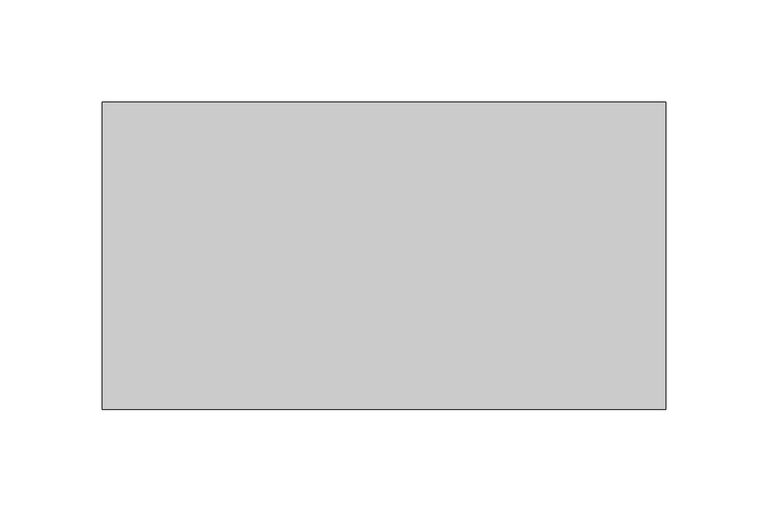
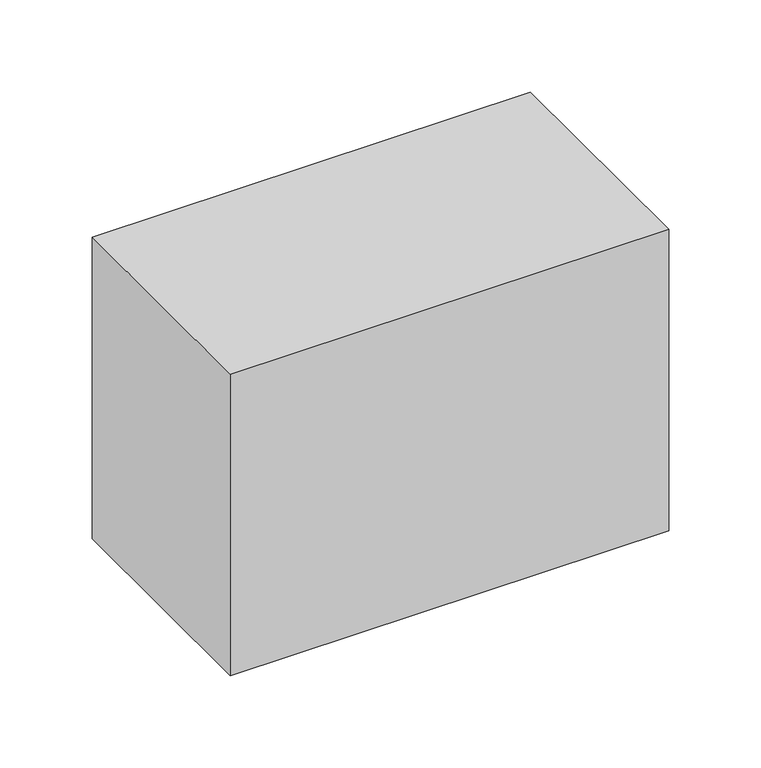
"""IFC4 building model written with IfcOpenShell, lengths in millimetres: proxy geometry."""

from ifc_helpers import new_model, si_unit, frame, origin, place, context, project, spatial, polyline, outline, extrude, source, transform, mapped, element, save


def generic_models_5b2f24c3(model_context):
    return source(origin(), model_context, "Body", "SweptSolid", [
        extrude(outline(polyline([(137.5, 75.0), (137.5, -75.0), (-137.5, -75.0), (-137.5, 75.0), (137.5, 75.0)])), frame((0.0, 0.0, -200.0), z_axis=(0.0, 0.0, 1.0), x_axis=(1.0, 0.0, 0.0)), (0.0, 0.0, 1.0), 200.0),
    ])


if __name__ == "__main__":
    model = new_model("IFC4")
    model_context = context("Model", 3, world=origin())
    ifc_project = project(units=[si_unit("LENGTHUNIT", "METRE", prefix="MILLI")], contexts=[model_context])
    site = spatial("IfcSite", under=ifc_project)
    building = spatial("IfcBuilding", under=site)
    placement = place(None, origin())
    generic_models_shape = generic_models_5b2f24c3(model_context)
    element("IfcBuildingElementProxy", 1, Name="Generic Models", at=placement, inside=building, context=model_context, shape_type="MappedRepresentation", body=[
        mapped(generic_models_shape, transform((0.0, 0.0, 0.0), x_axis=(1.0, 0.0, 0.0), y_axis=(0.0, 1.0, 0.0), z_axis=(0.0, 0.0, 1.0))),
    ])
    save(model, "model.ifc")
